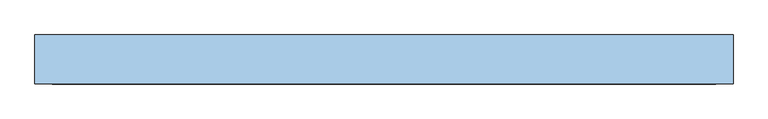
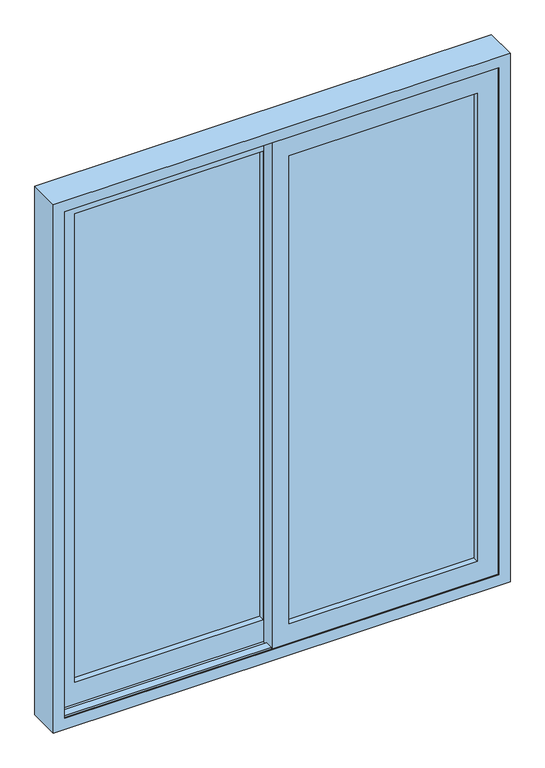
"""IFC4 building model written with IfcOpenShell, lengths in millimetres: window geometry."""

import ifcopenshell
import ifcopenshell.guid

model = None  # the IFC model being written
_history = None  # IfcOwnerHistory: only IFC2X3 demands one
_inside = {}  # id of a spatial element -> (the spatial element, [elements in it])
_under = {}  # id of a project, library or spatial element -> (it, [spatial elements below it])
_declared = {}  # id of a project -> (the project, [libraries it declares])
_typed = {}  # id of a type object -> (the type object, [elements of that type])
_made_of = {}  # id of a material, layer set ... -> (it, [elements and type objects made of it])


def new_model(schema):
    """Start an empty IFC model of exactly this schema.

    Asked for "IFC4X3", IfcOpenShell would pick the latest addendum, in which some entities
    have other attributes; the version numbers below select the first issue.
    IFC2X3 requires an IfcOwnerHistory on every rooted entity: one is made here for all.
    """
    global model, _history
    if schema == "IFC4X3":
        model = ifcopenshell.file(schema_version=(4, 3, 0, 0))
    else:
        model = ifcopenshell.file(schema=schema)
    _inside.clear()
    _under.clear()
    _declared.clear()
    _typed.clear()
    _made_of.clear()
    _history = None
    if model.schema == "IFC2X3":
        org = make("IfcOrganization", Name="unknown")
        user = make(
            "IfcPersonAndOrganization",
            ThePerson=make("IfcPerson", FamilyName="unknown"),
            TheOrganization=org,
        )
        app = make(
            "IfcApplication",
            ApplicationDeveloper=org,
            Version="unknown",
            ApplicationFullName="unknown",
            ApplicationIdentifier="unknown",
        )
        _history = make(
            "IfcOwnerHistory",
            OwningUser=user,
            OwningApplication=app,
            ChangeAction="ADDED",
            CreationDate=0,
        )
    return model


def make(cls, **values):
    """One entity of the class cls with the attributes given. An attribute that is None is left unset."""
    return model.create_entity(
        cls, **{name: value for name, value in values.items() if value is not None}
    )


def rooted(cls, **values):
    """An entity with a GlobalId (a new one), such as an element, a storey or a relation."""
    return make(cls, GlobalId=ifcopenshell.guid.new(), OwnerHistory=_history, **values)


def si_unit(unit_type, name, prefix=None):
    """IfcSIUnit, for example si_unit("LENGTHUNIT", "METRE", prefix="MILLI")."""
    return make("IfcSIUnit", UnitType=unit_type, Prefix=prefix, Name=name)


def assignment(units):
    """IfcUnitAssignment: the units of a project."""
    return None if units is None else make("IfcUnitAssignment", Units=units)


def point(xyz):
    """IfcCartesianPoint."""
    return None if xyz is None else make("IfcCartesianPoint", Coordinates=xyz)


def direction(xyz):
    """IfcDirection."""
    return None if xyz is None else make("IfcDirection", DirectionRatios=xyz)


def frame(location, z_axis=None, x_axis=None):
    """IfcAxis2Placement3D, a coordinate frame: its origin and axes. An axis left out is left unset."""
    return make(
        "IfcAxis2Placement3D",
        Location=point(location),
        Axis=direction(z_axis),
        RefDirection=direction(x_axis),
    )


def origin():
    """The frame at (0, 0, 0) with its axes left unset."""
    return frame((0.0, 0.0, 0.0))


def place(relative_to, where):
    """IfcLocalPlacement: puts the frame where relative to a parent placement (None: the world)."""
    return make(
        "IfcLocalPlacement", PlacementRelTo=relative_to, RelativePlacement=where
    )


def context(
    kind, dimensions, precision=None, world=None, true_north=None, identifier=None
):
    """IfcGeometricRepresentationContext, for example the 3D "Model" context."""
    return make(
        "IfcGeometricRepresentationContext",
        ContextIdentifier=identifier,
        ContextType=kind,
        CoordinateSpaceDimension=dimensions,
        Precision=precision,
        WorldCoordinateSystem=world,
        TrueNorth=true_north,
    )


def project(units=None, contexts=None):
    """IfcProject with its units and contexts."""
    return rooted(
        "IfcProject",
        Name="project",
        RepresentationContexts=contexts,
        UnitsInContext=assignment(units),
    )


def spatial(cls, under=None, at=None, **own):
    """A site, building, storey or space (cls), placed at a placement, below another one or the project."""
    s = rooted(cls, ObjectPlacement=at, **own)
    if under is not None:
        _under.setdefault(under.id(), (under, []))[1].append(s)
    return s


def polyline(points):
    """IfcPolyline through the points."""
    return make("IfcPolyline", Points=[point(p) for p in points])


def outline(outer, holes=None, kind="AREA"):
    """IfcArbitraryClosedProfileDef: a profile drawn as a closed curve; with holes, ...WithVoids."""
    if holes is None:
        return make("IfcArbitraryClosedProfileDef", ProfileType=kind, OuterCurve=outer)
    return make(
        "IfcArbitraryProfileDefWithVoids",
        ProfileType=kind,
        OuterCurve=outer,
        InnerCurves=holes,
    )


def extrude(swept, where, along, depth):
    """IfcExtrudedAreaSolid: the profile swept, set in the frame where, extruded along a direction by depth."""
    return make(
        "IfcExtrudedAreaSolid",
        SweptArea=swept,
        Position=where,
        ExtrudedDirection=direction(along),
        Depth=depth,
    )


def faces_of(points, faces, orient=None, outer=None):
    """IfcFace entities. A face is a list of loops; a loop is a list of indices into points, from 0.

    orient and outer hold one flag for each loop. By default every Orientation is true, the
    first loop of a face is its IfcFaceOuterBound and the others are IfcFaceBound.
    """
    made = []
    for i, loops in enumerate(faces):
        bounds = []
        for j, loop in enumerate(loops):
            is_outer = j == 0 if outer is None else outer[i][j]
            bounds.append(
                make(
                    "IfcFaceOuterBound" if is_outer else "IfcFaceBound",
                    Bound=make("IfcPolyLoop", Polygon=[points[k] for k in loop]),
                    Orientation=True if orient is None else orient[i][j],
                )
            )
        made.append(make("IfcFace", Bounds=bounds))
    return made


def faceted_brep(points, faces, orient=None, outer=None, voids=None):
    """IfcFacetedBrep: a solid bounded by flat faces; with voids (closed shells), ...WithVoids."""
    shared = [point(p) for p in points]
    hull = make("IfcClosedShell", CfsFaces=faces_of(shared, faces, orient, outer))
    if voids is None:
        return make("IfcFacetedBrep", Outer=hull)
    return make(
        "IfcFacetedBrepWithVoids",
        Outer=hull,
        Voids=[
            make(cls, CfsFaces=faces_of(shared, fs, o, b)) for cls, fs, o, b in voids
        ],
    )


def shape(context_of_items, identifier, shape_type, items):
    """IfcShapeRepresentation: the items that make up one representation, for example the "Body"."""
    return make(
        "IfcShapeRepresentation",
        ContextOfItems=context_of_items,
        RepresentationIdentifier=identifier,
        RepresentationType=shape_type,
        Items=items,
    )


def source(mapping_origin, context_of_items, identifier, shape_type, items):
    """IfcRepresentationMap: a shape defined once, which mapped items show again and again."""
    return make(
        "IfcRepresentationMap",
        MappingOrigin=mapping_origin,
        MappedRepresentation=shape(context_of_items, identifier, shape_type, items),
    )


def transform(
    local_origin,
    x_axis=None,
    y_axis=None,
    z_axis=None,
    scale=None,
    scale2=None,
    scale3=None,
    uniform=True,
):
    """IfcCartesianTransformationOperator3D, or its non-uniform kind. x_axis, y_axis, z_axis: its Axis1, 2, 3."""
    if uniform:
        return make(
            "IfcCartesianTransformationOperator3D",
            Axis1=direction(x_axis),
            Axis2=direction(y_axis),
            LocalOrigin=point(local_origin),
            Scale=scale,
            Axis3=direction(z_axis),
        )
    return make(
        "IfcCartesianTransformationOperator3DnonUniform",
        Axis1=direction(x_axis),
        Axis2=direction(y_axis),
        LocalOrigin=point(local_origin),
        Scale=scale,
        Axis3=direction(z_axis),
        Scale2=scale2,
        Scale3=scale3,
    )


def mapped(mapping_source, mapping_target):
    """IfcMappedItem: shows the shape of a source again, moved by a transform."""
    return make(
        "IfcMappedItem", MappingSource=mapping_source, MappingTarget=mapping_target
    )


def made_of(thing, what):
    """Note that an element or type object is made of a material, layer set ...; save() writes the relation."""
    if what is not None:
        _made_of.setdefault(what.id(), (what, []))[1].append(thing)
    return thing


def element(
    cls,
    number,
    at=None,
    inside=None,
    cuts=None,
    type_object=None,
    material=None,
    context=None,
    identifier="Body",
    shape_type=None,
    held_by="IfcProductDefinitionShape",
    body=None,
    shapes=None,
    **own,
):
    """One element of the class cls, such as IfcWall. Its Tag is "e" and its number.

    at: its placement. inside: the storey or other place that contains it. cuts: it is an
    opening in that element (IfcRelVoidsElement). A single representation is given by context,
    identifier, shape_type and body (its items); several are given by shapes. held_by: the class
    of the entity that holds the representations. save() writes the other relations.
    """
    e = rooted(cls, Tag="e%d" % number, ObjectPlacement=at, **own)
    if body is not None:
        shapes = [shape(context, identifier, shape_type, body)]
    if shapes is not None:
        e.Representation = make(held_by, Representations=shapes)
    if inside is not None:
        _inside.setdefault(inside.id(), (inside, []))[1].append(e)
    if cuts is not None:
        rooted(
            "IfcRelVoidsElement", RelatingBuildingElement=cuts, RelatedOpeningElement=e
        )
    if type_object is not None:
        _typed.setdefault(type_object.id(), (type_object, []))[1].append(e)
    return made_of(e, material)


def aggregate(whole, parts):
    """IfcRelAggregates: a whole, such as a stair, and the parts it consists of."""
    return rooted("IfcRelAggregates", RelatingObject=whole, RelatedObjects=parts)


def save(model, path):
    """Write the relations noted so far, then the file.

    IfcRelAggregates (storeys below a building ...), IfcRelContainedInSpatialStructure (elements
    in a storey), IfcRelDefinesByType, IfcRelAssociatesMaterial and IfcRelDeclares: one each for
    every whole, place, type object, material and project.
    """
    for whole, parts in _under.values():
        aggregate(whole, parts)
    for where, things in _inside.values():
        rooted(
            "IfcRelContainedInSpatialStructure",
            RelatedElements=things,
            RelatingStructure=where,
        )
    for kind, things in _typed.values():
        rooted("IfcRelDefinesByType", RelatedObjects=things, RelatingType=kind)
    for what, things in _made_of.values():
        rooted("IfcRelAssociatesMaterial", RelatedObjects=things, RelatingMaterial=what)
    for by, libraries in _declared.values():
        rooted("IfcRelDeclares", RelatingContext=by, RelatedDefinitions=libraries)
    model.write(path)


def window_81c1edc5(model_context):
    return source(origin(), model_context, "Body", "SolidModel", [
        faceted_brep([(32.45, -58.15, 2166.0), (32.45, -58.15, 2155.0), (-32.45, -58.15, 2155.0), (-32.45, -58.15, 34.0), (866.0, -58.15, 34.0), (866.0, -58.15, 2166.0), (32.45, -58.15, 2074.5), (774.5, -58.15, 2074.5), (774.5, -58.15, 125.5), (32.45, -58.15, 125.5), (774.5, -8.15, 2074.5), (774.5, -8.15, 125.5), (32.45, -8.15, 125.5), (32.45, -8.15, 2074.5), (32.45, -53.15, 34.0), (32.45, -13.15, 34.0), (32.45, -13.15, 63.7), (32.45, -53.15, 63.7), (32.45, -13.15, 2155.0), (32.45, -53.15, 2155.0), (32.45, -53.15, 2136.3), (32.45, -13.15, 2136.3), (-32.45, 2.85, 2155.0), (-32.45, 2.85, 34.0), (1.55, 2.85, 34.0), (1.55, 0.05, 34.0), (-1.55, 0.05, 34.0), (-1.55, -8.15, 34.0), (866.0, -8.15, 34.0), (866.0, -13.15, 34.0), (866.0, -53.15, 34.0), (866.0, -53.15, 2166.0), (32.45, -53.15, 2166.0), (836.3, -53.15, 63.7), (836.3, -53.15, 2136.3), (836.3, -13.15, 63.7), (836.3, -13.15, 2136.3), (866.0, -13.15, 2166.0), (32.45, -13.15, 2166.0), (866.0, -8.15, 2166.0), (-1.55, -8.15, 2155.0), (32.45, -8.15, 2155.0), (32.45, -8.15, 2166.0), (-1.55, 0.05, 2155.0), (1.55, 2.85, 2155.0), (1.55, 0.05, 2155.0)], [[[0, 1, 2, 3, 4, 5], [6, 7, 8, 9]], [[7, 10, 11, 8]], [[9, 8, 11, 12]], [[6, 9, 12, 13]], [[14, 15, 16, 17]], [[18, 19, 20, 21]], [[2, 22, 23, 3]], [[4, 3, 23, 24, 25, 26, 27, 28, 29, 15, 14, 30]], [[5, 4, 30, 31]], [[32, 31, 30, 14, 17, 33, 34, 20, 19]], [[33, 17, 16, 35]], [[34, 33, 35, 36]], [[21, 36, 35, 16, 15, 29, 37, 38, 18]], [[37, 29, 28, 39]], [[27, 40, 41, 42, 39, 28], [10, 13, 12, 11]], [[43, 40, 27, 26]], [[22, 44, 24, 23]], [[44, 45, 25, 24]], [[45, 43, 26, 25]], [[0, 32, 19, 1]], [[38, 42, 41, 18]], [[13, 10, 7, 6]], [[32, 0, 5, 31]], [[20, 34, 36, 21]], [[42, 38, 37, 39]], [[41, 40, 43, 45, 44, 22, 2, 1, 19, 18]]]),
        extrude(outline(polyline([(774.5, -34.1), (32.45, -34.1), (32.45, -16.1), (774.5, -16.1), (774.5, -34.1)])), frame((0.0, 0.0, 125.5), z_axis=(0.0, 0.0, 1.0), x_axis=(1.0, 0.0, 0.0)), (0.0, 0.0, 1.0), 1949.0),
        extrude(outline(polyline([(-32.45, 32.2), (-774.5, 32.2), (-774.5, 50.2), (-32.45, 50.2), (-32.45, 32.2)])), frame((0.0, 0.0, 125.5), z_axis=(0.0, 0.0, 1.0), x_axis=(1.0, 0.0, 0.0)), (0.0, 0.0, 1.0), 1949.0),
        faceted_brep([(32.45, 58.15, 34.0), (32.45, -2.85, 34.0), (-1.55, -2.85, 34.0), (-1.55, -0.05, 34.0), (1.55, -0.05, 34.0), (1.55, 8.15, 34.0), (-866.0, 8.15, 34.0), (-866.0, 13.15, 34.0), (-32.45, 13.15, 34.0), (-32.45, 53.15, 34.0), (-866.0, 53.15, 34.0), (-866.0, 58.15, 34.0), (32.45, 58.15, 2155.0), (32.45, -2.85, 2155.0), (-1.55, -2.85, 2155.0), (-1.55, -0.05, 2155.0), (1.55, -0.05, 2155.0), (1.55, 8.15, 2155.0), (-32.45, 8.15, 2155.0), (-32.45, 8.15, 2166.0), (-866.0, 8.15, 2166.0), (-32.45, 8.15, 2074.5), (-32.45, 8.15, 125.5), (-774.5, 8.15, 125.5), (-774.5, 8.15, 2074.5), (-866.0, 13.15, 2166.0), (-32.45, 13.15, 2136.3), (-836.3, 13.15, 2136.3), (-836.3, 13.15, 63.7), (-32.45, 13.15, 63.7), (-32.45, 13.15, 2166.0), (-32.45, 13.15, 2155.0), (-32.45, 53.15, 63.7), (-32.45, 58.15, 2074.5), (-32.45, 58.15, 125.5), (-32.45, 53.15, 2155.0), (-32.45, 53.15, 2136.3), (-32.45, 53.15, 2166.0), (-866.0, 53.15, 2166.0), (-836.3, 53.15, 63.7), (-836.3, 53.15, 2136.3), (-866.0, 58.15, 2166.0), (-32.45, 58.15, 2155.0), (-32.45, 58.15, 2166.0), (-774.5, 58.15, 2074.5), (-774.5, 58.15, 125.5)], [[[0, 1, 2, 3, 4, 5, 6, 7, 8, 9, 10, 11]], [[12, 13, 1, 0]], [[13, 14, 2, 1]], [[14, 15, 3, 2]], [[15, 16, 4, 3]], [[16, 17, 5, 4]], [[17, 18, 19, 20, 6, 5], [21, 22, 23, 24]], [[25, 7, 6, 20]], [[26, 27, 28, 29, 8, 7, 25, 30, 31]], [[9, 8, 29, 32]], [[33, 34, 22, 21]], [[31, 35, 36, 26]], [[37, 38, 10, 9, 32, 39, 40, 36, 35]], [[41, 11, 10, 38]], [[42, 12, 0, 11, 41, 43], [34, 33, 44, 45]], [[39, 32, 29, 28]], [[34, 45, 23, 22]], [[45, 44, 24, 23]], [[40, 39, 28, 27]], [[18, 17, 16, 15, 14, 13, 12, 42, 35, 31]], [[43, 37, 35, 42]], [[30, 19, 18, 31]], [[37, 43, 41, 38]], [[36, 40, 27, 26]], [[19, 30, 25, 20]], [[44, 33, 21, 24]]]),
        faceted_brep([(-855.0, 63.15, 2155.0), (-855.0, 59.15, 2155.0), (-855.0, 59.15, 18.0), (-855.0, 63.15, 18.0), (900.0, 63.15, 0.0), (-900.0, 63.15, 0.0), (-900.0, 63.15, 2200.0), (900.0, 63.15, 2200.0), (855.0, 63.15, 2155.0), (855.0, 63.15, 18.0), (-882.0, 37.15, 18.0), (882.0, 37.15, 18.0), (882.0, 59.15, 18.0), (855.0, 59.15, 18.0), (-882.0, 59.15, 18.0), (855.0, 59.15, 2155.0), (900.0, -63.15, 0.0), (-900.0, -63.15, 0.0), (-900.0, -63.15, 2200.0), (900.0, -63.15, 2200.0), (882.0, 59.15, 2182.0), (-882.0, 59.15, 2182.0), (882.0, 37.15, 2182.0), (-882.0, 37.15, 2182.0), (863.0, 49.15, 2163.0), (863.0, 37.15, 2163.0), (863.0, 37.15, 37.0), (863.0, 49.15, 37.0), (-863.0, 37.15, 2163.0), (-863.0, 37.15, 37.0), (-863.0, 49.15, 37.0), (-863.0, 49.15, 2163.0), (855.0, 49.15, 45.0), (855.0, 49.15, 2155.0), (-855.0, 49.15, 2155.0), (-855.0, 49.15, 45.0), (855.0, 17.15, 2155.0), (855.0, 17.15, 45.0), (-855.0, 17.15, 45.0), (863.0, 17.15, 37.0), (863.0, 17.15, 2163.0), (-863.0, 17.15, 2163.0), (-863.0, 17.15, 37.0), (-855.0, 17.15, 2155.0), (863.0, 29.15, 2163.0), (863.0, 29.15, 37.0), (-863.0, 29.15, 37.0), (882.0, 29.15, 2182.0), (-882.0, 29.15, 2182.0), (-882.0, 29.15, 18.0), (882.0, 29.15, 18.0), (-863.0, 29.15, 2163.0), (-882.0, -29.15, 2182.0), (-882.0, -29.15, 18.0), (882.0, -29.15, 18.0), (882.0, -29.15, 2182.0), (863.0, -29.15, 37.0), (863.0, -29.15, 2163.0), (-863.0, -29.15, 2163.0), (-863.0, -29.15, 37.0), (863.0, -17.15, 2163.0), (863.0, -17.15, 37.0), (-863.0, -17.15, 37.0), (-863.0, -17.15, 2163.0), (855.0, -17.15, 45.0), (855.0, -17.15, 2155.0), (-855.0, -17.15, 2155.0), (-855.0, -17.15, 45.0), (855.0, -49.15, 2155.0), (855.0, -49.15, 45.0), (-855.0, -49.15, 45.0), (863.0, -49.15, 37.0), (863.0, -49.15, 2163.0), (-863.0, -49.15, 2163.0), (-863.0, -49.15, 37.0), (-855.0, -49.15, 2155.0), (863.0, -37.15, 2163.0), (863.0, -37.15, 37.0), (-863.0, -37.15, 37.0), (882.0, -37.15, 18.0), (882.0, -37.15, 2182.0), (-882.0, -37.15, 2182.0), (-882.0, -37.15, 18.0), (-863.0, -37.15, 2163.0), (882.0, -59.15, 2182.0), (882.0, -59.15, 18.0), (-882.0, -59.15, 18.0), (-882.0, -59.15, 2182.0), (855.0, -59.15, 45.0), (855.0, -59.15, 2155.0), (-855.0, -59.15, 2155.0), (-855.0, -59.15, 45.0), (855.0, -63.15, 2155.0), (855.0, -63.15, 45.0), (-855.0, -63.15, 45.0), (-855.0, -63.15, 2155.0)], [[[0, 1, 2, 3]], [[4, 5, 6, 7], [8, 0, 3, 9]], [[10, 11, 12, 13, 9, 3, 2, 14]], [[15, 8, 9, 13]], [[5, 4, 16, 17]], [[6, 5, 17, 18]], [[4, 7, 19, 16]], [[1, 15, 13, 12, 20, 21, 14, 2]], [[11, 22, 20, 12]], [[23, 10, 14, 21]], [[24, 25, 26, 27]], [[11, 10, 23, 22], [26, 25, 28, 29]], [[27, 26, 29, 30]], [[24, 27, 30, 31], [32, 33, 34, 35]], [[36, 33, 32, 37]], [[37, 32, 35, 38]], [[39, 40, 41, 42], [36, 37, 38, 43]], [[44, 40, 39, 45]], [[45, 39, 42, 46]], [[47, 48, 49, 50], [44, 45, 46, 51]], [[30, 29, 28, 31]], [[38, 35, 34, 43]], [[46, 42, 41, 51]], [[49, 48, 52, 53]], [[50, 49, 53, 54]], [[47, 50, 54, 55]], [[55, 54, 53, 52], [56, 57, 58, 59]], [[60, 57, 56, 61]], [[61, 56, 59, 62]], [[60, 61, 62, 63], [64, 65, 66, 67]], [[68, 65, 64, 69]], [[69, 64, 67, 70]], [[71, 72, 73, 74], [68, 69, 70, 75]], [[76, 72, 71, 77]], [[77, 71, 74, 78]], [[79, 80, 81, 82], [76, 77, 78, 83]], [[84, 80, 79, 85]], [[85, 79, 82, 86]], [[84, 85, 86, 87], [88, 89, 90, 91]], [[92, 89, 88, 93]], [[93, 88, 91, 94]], [[16, 19, 18, 17], [92, 93, 94, 95]], [[62, 59, 58, 63]], [[70, 67, 66, 75]], [[78, 74, 73, 83]], [[86, 82, 81, 87]], [[94, 91, 90, 95]], [[0, 8, 15, 1]], [[25, 24, 31, 28]], [[33, 36, 43, 34]], [[40, 44, 51, 41]], [[22, 23, 21, 20]], [[48, 47, 55, 52]], [[57, 60, 63, 58]], [[65, 68, 75, 66]], [[72, 76, 83, 73]], [[80, 84, 87, 81]], [[89, 92, 95, 90]], [[7, 6, 18, 19]]]),
    ])


if __name__ == "__main__":
    model = new_model("IFC4")
    model_context = context("Model", 3, world=origin())
    ifc_project = project(units=[si_unit("LENGTHUNIT", "METRE", prefix="MILLI")], contexts=[model_context])
    site = spatial("IfcSite", under=ifc_project)
    building = spatial("IfcBuilding", under=site)
    placement = place(None, origin())
    window_shape = window_81c1edc5(model_context)
    element("IfcWindow", 1, at=placement, inside=building, context=model_context, shape_type="MappedRepresentation", body=[
        mapped(window_shape, transform((0.0, 0.0, 0.0), x_axis=(1.0, 0.0, 0.0), y_axis=(0.0, 1.0, 0.0), z_axis=(0.0, 0.0, 1.0))),
    ])
    save(model, "model.ifc")
